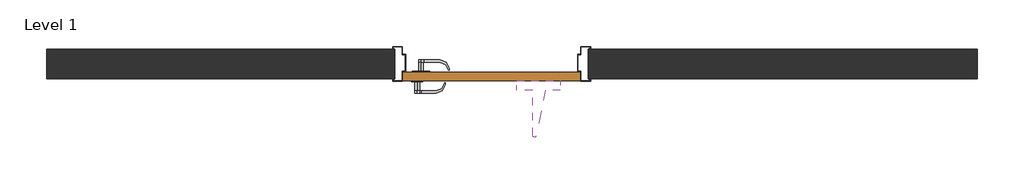
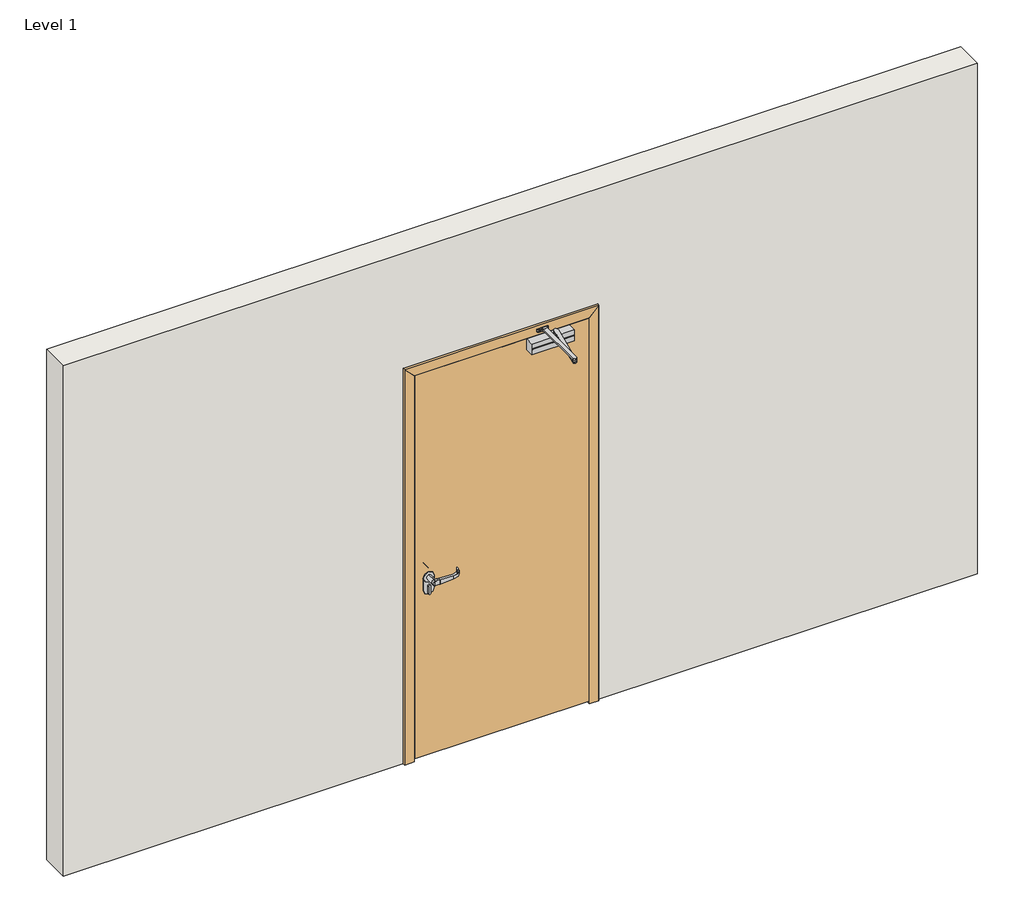
# One storey: 3 proxies, 1 door, 1 wall.
"""IFC4 building model written with IfcOpenShell, lengths in millimetres."""

import ifcopenshell
import ifcopenshell.guid

model = None  # the IFC model being written
_history = None  # IfcOwnerHistory: only IFC2X3 demands one
_inside = {}  # id of a spatial element -> (the spatial element, [elements in it])
_under = {}  # id of a project, library or spatial element -> (it, [spatial elements below it])
_declared = {}  # id of a project -> (the project, [libraries it declares])
_typed = {}  # id of a type object -> (the type object, [elements of that type])
_made_of = {}  # id of a material, layer set ... -> (it, [elements and type objects made of it])


def new_model(schema):
    """Start an empty IFC model of exactly this schema.

    Asked for "IFC4X3", IfcOpenShell would pick the latest addendum, in which some entities
    have other attributes; the version numbers below select the first issue.
    IFC2X3 requires an IfcOwnerHistory on every rooted entity: one is made here for all.
    """
    global model, _history
    if schema == "IFC4X3":
        model = ifcopenshell.file(schema_version=(4, 3, 0, 0))
    else:
        model = ifcopenshell.file(schema=schema)
    _inside.clear()
    _under.clear()
    _declared.clear()
    _typed.clear()
    _made_of.clear()
    _history = None
    if model.schema == "IFC2X3":
        org = make("IfcOrganization", Name="unknown")
        user = make(
            "IfcPersonAndOrganization",
            ThePerson=make("IfcPerson", FamilyName="unknown"),
            TheOrganization=org,
        )
        app = make(
            "IfcApplication",
            ApplicationDeveloper=org,
            Version="unknown",
            ApplicationFullName="unknown",
            ApplicationIdentifier="unknown",
        )
        _history = make(
            "IfcOwnerHistory",
            OwningUser=user,
            OwningApplication=app,
            ChangeAction="ADDED",
            CreationDate=0,
        )
    return model


def make(cls, **values):
    """One entity of the class cls with the attributes given. An attribute that is None is left unset."""
    return model.create_entity(
        cls, **{name: value for name, value in values.items() if value is not None}
    )


def rooted(cls, **values):
    """An entity with a GlobalId (a new one), such as an element, a storey or a relation."""
    return make(cls, GlobalId=ifcopenshell.guid.new(), OwnerHistory=_history, **values)


def si_unit(unit_type, name, prefix=None):
    """IfcSIUnit, for example si_unit("LENGTHUNIT", "METRE", prefix="MILLI")."""
    return make("IfcSIUnit", UnitType=unit_type, Prefix=prefix, Name=name)


def assignment(units):
    """IfcUnitAssignment: the units of a project."""
    return None if units is None else make("IfcUnitAssignment", Units=units)


def point(xyz):
    """IfcCartesianPoint."""
    return None if xyz is None else make("IfcCartesianPoint", Coordinates=xyz)


def direction(xyz):
    """IfcDirection."""
    return None if xyz is None else make("IfcDirection", DirectionRatios=xyz)


def frame(location, z_axis=None, x_axis=None):
    """IfcAxis2Placement3D, a coordinate frame: its origin and axes. An axis left out is left unset."""
    return make(
        "IfcAxis2Placement3D",
        Location=point(location),
        Axis=direction(z_axis),
        RefDirection=direction(x_axis),
    )


def frame_2d(location, x_axis=None):
    """IfcAxis2Placement2D, a coordinate frame in the plane: its origin and x axis."""
    return make(
        "IfcAxis2Placement2D", Location=point(location), RefDirection=direction(x_axis)
    )


def origin():
    """The frame at (0, 0, 0) with its axes left unset."""
    return frame((0.0, 0.0, 0.0))


def origin_with_axes():
    """The frame at (0, 0, 0) with the z axis (0, 0, 1) and the x axis (1, 0, 0) written out."""
    return frame((0.0, 0.0, 0.0), z_axis=(0.0, 0.0, 1.0), x_axis=(1.0, 0.0, 0.0))


def place(relative_to, where):
    """IfcLocalPlacement: puts the frame where relative to a parent placement (None: the world)."""
    return make(
        "IfcLocalPlacement", PlacementRelTo=relative_to, RelativePlacement=where
    )


def context(
    kind, dimensions, precision=None, world=None, true_north=None, identifier=None
):
    """IfcGeometricRepresentationContext, for example the 3D "Model" context."""
    return make(
        "IfcGeometricRepresentationContext",
        ContextIdentifier=identifier,
        ContextType=kind,
        CoordinateSpaceDimension=dimensions,
        Precision=precision,
        WorldCoordinateSystem=world,
        TrueNorth=true_north,
    )


def project(units=None, contexts=None):
    """IfcProject with its units and contexts."""
    return rooted(
        "IfcProject",
        Name="project",
        RepresentationContexts=contexts,
        UnitsInContext=assignment(units),
    )


def spatial(cls, under=None, at=None, **own):
    """A site, building, storey or space (cls), placed at a placement, below another one or the project."""
    s = rooted(cls, ObjectPlacement=at, **own)
    if under is not None:
        _under.setdefault(under.id(), (under, []))[1].append(s)
    return s


def polyline(points):
    """IfcPolyline through the points."""
    return make("IfcPolyline", Points=[point(p) for p in points])


def circle_curve(where, radius):
    """IfcCircle in the frame where."""
    return make("IfcCircle", Position=where, Radius=radius)


def ellipse_curve(where, semi_axis1, semi_axis2):
    """IfcEllipse in the frame where."""
    return make(
        "IfcEllipse", Position=where, SemiAxis1=semi_axis1, SemiAxis2=semi_axis2
    )


def trimmed(basis, trim1, trim2, sense, master):
    """IfcTrimmedCurve: the piece of a basis curve between two trims."""
    return make(
        "IfcTrimmedCurve",
        BasisCurve=basis,
        Trim1=trim1,
        Trim2=trim2,
        SenseAgreement=sense,
        MasterRepresentation=master,
    )


def segment(curve, same_sense, transition):
    """IfcCompositeCurveSegment."""
    return make(
        "IfcCompositeCurveSegment",
        Transition=transition,
        SameSense=same_sense,
        ParentCurve=curve,
    )


def composite_curve(segments, self_intersect=None):
    """IfcCompositeCurve: segments joined end to end."""
    return make("IfcCompositeCurve", Segments=segments, SelfIntersect=self_intersect)


def outline(outer, holes=None, kind="AREA"):
    """IfcArbitraryClosedProfileDef: a profile drawn as a closed curve; with holes, ...WithVoids."""
    if holes is None:
        return make("IfcArbitraryClosedProfileDef", ProfileType=kind, OuterCurve=outer)
    return make(
        "IfcArbitraryProfileDefWithVoids",
        ProfileType=kind,
        OuterCurve=outer,
        InnerCurves=holes,
    )


def extrude(swept, where, along, depth):
    """IfcExtrudedAreaSolid: the profile swept, set in the frame where, extruded along a direction by depth."""
    return make(
        "IfcExtrudedAreaSolid",
        SweptArea=swept,
        Position=where,
        ExtrudedDirection=direction(along),
        Depth=depth,
    )


def faces_of(points, faces, orient=None, outer=None):
    """IfcFace entities. A face is a list of loops; a loop is a list of indices into points, from 0.

    orient and outer hold one flag for each loop. By default every Orientation is true, the
    first loop of a face is its IfcFaceOuterBound and the others are IfcFaceBound.
    """
    made = []
    for i, loops in enumerate(faces):
        bounds = []
        for j, loop in enumerate(loops):
            is_outer = j == 0 if outer is None else outer[i][j]
            bounds.append(
                make(
                    "IfcFaceOuterBound" if is_outer else "IfcFaceBound",
                    Bound=make("IfcPolyLoop", Polygon=[points[k] for k in loop]),
                    Orientation=True if orient is None else orient[i][j],
                )
            )
        made.append(make("IfcFace", Bounds=bounds))
    return made


def faceted_brep(points, faces, orient=None, outer=None, voids=None):
    """IfcFacetedBrep: a solid bounded by flat faces; with voids (closed shells), ...WithVoids."""
    shared = [point(p) for p in points]
    hull = make("IfcClosedShell", CfsFaces=faces_of(shared, faces, orient, outer))
    if voids is None:
        return make("IfcFacetedBrep", Outer=hull)
    return make(
        "IfcFacetedBrepWithVoids",
        Outer=hull,
        Voids=[
            make(cls, CfsFaces=faces_of(shared, fs, o, b)) for cls, fs, o, b in voids
        ],
    )


def shape(context_of_items, identifier, shape_type, items):
    """IfcShapeRepresentation: the items that make up one representation, for example the "Body"."""
    return make(
        "IfcShapeRepresentation",
        ContextOfItems=context_of_items,
        RepresentationIdentifier=identifier,
        RepresentationType=shape_type,
        Items=items,
    )


def source(mapping_origin, context_of_items, identifier, shape_type, items):
    """IfcRepresentationMap: a shape defined once, which mapped items show again and again."""
    return make(
        "IfcRepresentationMap",
        MappingOrigin=mapping_origin,
        MappedRepresentation=shape(context_of_items, identifier, shape_type, items),
    )


def transform(
    local_origin,
    x_axis=None,
    y_axis=None,
    z_axis=None,
    scale=None,
    scale2=None,
    scale3=None,
    uniform=True,
):
    """IfcCartesianTransformationOperator3D, or its non-uniform kind. x_axis, y_axis, z_axis: its Axis1, 2, 3."""
    if uniform:
        return make(
            "IfcCartesianTransformationOperator3D",
            Axis1=direction(x_axis),
            Axis2=direction(y_axis),
            LocalOrigin=point(local_origin),
            Scale=scale,
            Axis3=direction(z_axis),
        )
    return make(
        "IfcCartesianTransformationOperator3DnonUniform",
        Axis1=direction(x_axis),
        Axis2=direction(y_axis),
        LocalOrigin=point(local_origin),
        Scale=scale,
        Axis3=direction(z_axis),
        Scale2=scale2,
        Scale3=scale3,
    )


def mapped(mapping_source, mapping_target):
    """IfcMappedItem: shows the shape of a source again, moved by a transform."""
    return make(
        "IfcMappedItem", MappingSource=mapping_source, MappingTarget=mapping_target
    )


def made_of(thing, what):
    """Note that an element or type object is made of a material, layer set ...; save() writes the relation."""
    if what is not None:
        _made_of.setdefault(what.id(), (what, []))[1].append(thing)
    return thing


def element(
    cls,
    number,
    at=None,
    inside=None,
    cuts=None,
    type_object=None,
    material=None,
    context=None,
    identifier="Body",
    shape_type=None,
    held_by="IfcProductDefinitionShape",
    body=None,
    shapes=None,
    **own,
):
    """One element of the class cls, such as IfcWall. Its Tag is "e" and its number.

    at: its placement. inside: the storey or other place that contains it. cuts: it is an
    opening in that element (IfcRelVoidsElement). A single representation is given by context,
    identifier, shape_type and body (its items); several are given by shapes. held_by: the class
    of the entity that holds the representations. save() writes the other relations.
    """
    e = rooted(cls, Tag="e%d" % number, ObjectPlacement=at, **own)
    if body is not None:
        shapes = [shape(context, identifier, shape_type, body)]
    if shapes is not None:
        e.Representation = make(held_by, Representations=shapes)
    if inside is not None:
        _inside.setdefault(inside.id(), (inside, []))[1].append(e)
    if cuts is not None:
        rooted(
            "IfcRelVoidsElement", RelatingBuildingElement=cuts, RelatedOpeningElement=e
        )
    if type_object is not None:
        _typed.setdefault(type_object.id(), (type_object, []))[1].append(e)
    return made_of(e, material)


def aggregate(whole, parts):
    """IfcRelAggregates: a whole, such as a stair, and the parts it consists of."""
    return rooted("IfcRelAggregates", RelatingObject=whole, RelatedObjects=parts)


def save(model, path):
    """Write the relations noted so far, then the file.

    IfcRelAggregates (storeys below a building ...), IfcRelContainedInSpatialStructure (elements
    in a storey), IfcRelDefinesByType, IfcRelAssociatesMaterial and IfcRelDeclares: one each for
    every whole, place, type object, material and project.
    """
    for whole, parts in _under.values():
        aggregate(whole, parts)
    for where, things in _inside.values():
        rooted(
            "IfcRelContainedInSpatialStructure",
            RelatedElements=things,
            RelatingStructure=where,
        )
    for kind, things in _typed.values():
        rooted("IfcRelDefinesByType", RelatedObjects=things, RelatingType=kind)
    for what, things in _made_of.values():
        rooted("IfcRelAssociatesMaterial", RelatedObjects=things, RelatingMaterial=what)
    for by, libraries in _declared.values():
        rooted("IfcRelDeclares", RelatingContext=by, RelatedDefinitions=libraries)
    model.write(path)


def plane_surface(at):
    """IfcPlane: the flat surface through the origin of the frame at, square to its z axis."""
    return make("IfcPlane", Position=at)


def cylinder_surface(at, radius):
    """IfcCylindricalSurface: all points at the distance radius from the z axis of the frame at."""
    return make("IfcCylindricalSurface", Position=at, Radius=radius)


def revolved_surface(curve, axis_point, axis_direction):
    """IfcSurfaceOfRevolution: the curve turned about the line through axis_point along axis_direction."""
    return make(
        "IfcSurfaceOfRevolution",
        SweptCurve=make("IfcArbitraryOpenProfileDef", ProfileType="CURVE", Curve=curve),
        AxisPosition=make("IfcAxis1Placement", Location=point(axis_point), Axis=direction(axis_direction)),
    )


def advanced_brep(points, edges, surfaces, faces):
    """IfcAdvancedBrep: a solid bounded by faces that lie on surfaces and meet in shared edges.

    An edge is (start, end): straight between two places in points (the first is 0);
    or (start, end, curve); or (start, end, curve, False) where it runs against its curve.
    A face is (place in surfaces, loops), or (place, loops, False) where it looks against
    its surface's normal. A loop lists edges by number (the first is 1), with a minus sign
    where the edge is run from its end to its start. The first loop is the outer one.
    """
    corners = [point(p) for p in points]
    vertices = [make("IfcVertexPoint", VertexGeometry=c) for c in corners]
    made = []
    for start, end, *more in edges:
        made.append(
            make(
                "IfcEdgeCurve",
                EdgeStart=vertices[start],
                EdgeEnd=vertices[end],
                EdgeGeometry=more[0] if more else make("IfcPolyline", Points=[corners[start], corners[end]]),
                SameSense=more[1] if len(more) > 1 else True,
            )
        )
    hull = []
    for where, loops, *sense in faces:
        bounds = []
        for j, loop in enumerate(loops):
            ring = [make("IfcOrientedEdge", EdgeElement=made[abs(k) - 1], Orientation=k > 0) for k in loop]
            bounds.append(
                make(
                    "IfcFaceOuterBound" if j == 0 else "IfcFaceBound",
                    Bound=make("IfcEdgeLoop", EdgeList=ring),
                    Orientation=True,
                )
            )
        hull.append(make("IfcAdvancedFace", Bounds=bounds, FaceSurface=surfaces[where], SameSense=sense[0] if sense else True))
    return make("IfcAdvancedBrep", Outer=make("IfcClosedShell", CfsFaces=hull))


def security_devices_95c8cb61(model_context):
    return source(origin(), model_context, "Body", "AdvancedBrep", [
        advanced_brep(
        [(-208.9912, -6.35, 3.175), (-208.9912, 6.35, 3.175), (-208.9912, -45.0088, 0.0), (-208.9912, 45.0088, 0.0)],
        [
            (0, 1, circle_curve(frame((-208.9912, 0.0, 3.175), z_axis=(0.0, 0.0, 1.0), x_axis=(0.0, -1.0, 0.0)), 6.35)),
            (1, 0, circle_curve(frame((-208.9912, 0.0, 3.175), z_axis=(0.0, 0.0, 1.0), x_axis=(0.0, 1.0, 0.0)), 6.35)),
            (2, 3, circle_curve(frame((-208.9912, 0.0, 0.0), z_axis=(0.0, 0.0, -1.0), x_axis=(0.0, 1.0, 0.0)), 45.0088)),
            (3, 2, circle_curve(frame((-208.9912, 0.0, 0.0), z_axis=(0.0, 0.0, -1.0), x_axis=(0.0, -1.0, 0.0)), 45.0088)),
            (3, 1),
            (0, 2),
        ],
        [
            plane_surface(frame((-208.9912, 0.0, 3.175), z_axis=(0.0, 0.0, 1.0), x_axis=(1.0, 0.0, 0.0))),
            plane_surface(frame((-208.9912, 0.0, 0.0), z_axis=(0.0, 0.0, -1.0), x_axis=(1.0, 0.0, 0.0))),
            revolved_surface(polyline([(-208.9912, -6.3499995835972864, 3.175), (-208.9912, -45.0088, 0.0)]), (-208.9912, 0.0, 3.6965177), (0.0, 0.0, -1.0)),
            revolved_surface(polyline([(-208.9912, 6.3499995835972864, 3.175), (-208.9912, 45.0088, 0.0)]), (-208.9912, 0.0, 3.6965177), (0.0, 0.0, -1.0)),
        ],
        [
            (0, [[1, 2]]),
            (1, [[3, 4]]),
            (2, [[-4, 5, -1, 6]]),
            (3, [[-3, -6, -2, -5]]),
        ],
    ),
        advanced_brep(
        [(-0.0080171, -44.4552377, 4.7622), (-0.0080171, 44.4447623, 4.7622), (12.6999978, -0.006278, 4.7622), (-12.7000022, -0.006278, 4.7622), (-0.0080171, -44.4552377, -0.0003), (-0.0080171, 44.4447623, -0.0003), (-12.7000022, 0.006278, 50.7997), (-12.7000022, -12.693722, 50.7997), (-12.7000022, -12.693722, 63.4997), (-12.7000022, 0.006278, 63.4997), (12.6999978, -12.693722, 50.7997), (12.6999978, 0.006278, 50.7997), (12.6999978, -0.006278, 63.4997), (12.6999978, -12.693722, 63.4997), (8.6682503, -96.831222, 50.7997), (-8.6682548, -96.831222, 50.7997), (-8.6682548, -96.831222, 63.4997), (8.6682503, -96.831222, 63.4997), (-6.3500022, -145.210237, 19.1808168), (-6.3500022, -145.210237, 10.688597), (6.3499978, -145.210237, 10.688597), (6.3499978, -145.210237, 19.1808168), (-6.5035986, -142.0048745, 10.688597), (6.5035941, -142.0048745, 10.688597)],
        [
            (0, 1, circle_curve(frame((-0.0080171, -0.0052377, 4.7622), z_axis=(0.0, 0.0, 1.0), x_axis=(0.0, 1.0, 0.0)), 44.45)),
            (1, 0, circle_curve(frame((-0.0080171, -0.0052377, 4.7622), z_axis=(0.0, 0.0, 1.0), x_axis=(0.0, 1.0, 0.0)), 44.45)),
            (2, 3, circle_curve(frame((-2.2e-06, -0.006278, 4.7622), z_axis=(0.0, 0.0, -1.0), x_axis=(0.0, 1.0, 0.0)), 12.7)),
            (3, 2, circle_curve(frame((-2.2e-06, -0.006278, 4.7622), z_axis=(0.0, 0.0, -1.0), x_axis=(0.0, 1.0, 0.0)), 12.7)),
            (4, 5, circle_curve(frame((-0.0080171, -0.0052377, -0.0003), z_axis=(0.0, 0.0, -1.0), x_axis=(0.0, 1.0, 0.0)), 44.45)),
            (5, 4, circle_curve(frame((-0.0080171, -0.0052377, -0.0003), z_axis=(0.0, 0.0, -1.0), x_axis=(0.0, 1.0, 0.0)), 44.45)),
            (0, 4),
            (5, 1),
            (6, 7),
            (7, 8),
            (8, 9),
            (9, 6),
            (10, 11),
            (11, 12),
            (12, 13),
            (13, 10),
            (6, 11, circle_curve(frame((-2.2e-06, -0.006278, 50.7997), z_axis=(0.0, 0.0, 1.0), x_axis=(0.0, 1.0, 0.0)), 12.7)),
            (10, 14),
            (14, 15),
            (15, 7),
            (16, 17),
            (17, 13),
            (12, 9, circle_curve(frame((-2.2e-06, -0.006278, 63.4997), z_axis=(0.0, 0.0, 1.0), x_axis=(0.0, 1.0, 0.0)), 12.7)),
            (8, 16),
            (16, 18, ellipse_curve(frame((-8.6682548, -96.831222, 14.9347069), z_axis=(0.9988538794169152, 0.04786363519185341, 0.0), x_axis=(-0.047863635191850065, 0.9988538794169153, 0.0)), 48.6207182, 48.564993)),
            (18, 19, circle_curve(frame((-6.3500022, -96.831222, 14.9347069), z_axis=(1.0, 0.0, 0.0), x_axis=(0.0, -1.0, 0.0)), 48.564993)),
            (19, 20),
            (20, 21, circle_curve(frame((6.3499978, -96.831222, 14.9347069), z_axis=(-1.0, 0.0, 0.0), x_axis=(0.0, -1.0, 0.0)), 48.564993)),
            (21, 17, ellipse_curve(frame((8.6682503, -96.831222, 14.9347069), z_axis=(-0.9988538794169146, 0.04786363519186305, 0.0), x_axis=(-0.04786363519186451, -0.9988538794169146, 0.0)), 48.6207182, 48.564993)),
            (19, 22),
            (22, 23),
            (23, 20),
            (22, 15, ellipse_curve(frame((-8.6682548, -96.831222, 5.3065672), z_axis=(-0.9988538794169152, -0.04786363519185341, 0.0), x_axis=(0.047863635191850065, -0.9988538794169153, 0.0)), 45.5453332, 45.4931328)),
            (14, 23, ellipse_curve(frame((8.6682503, -96.831222, 5.3065672), z_axis=(0.9988538794169146, -0.04786363519186305, 0.0), x_axis=(0.04786363519186451, 0.9988538794169146, 0.0)), 45.5453332, 45.4931328)),
            (21, 20),
            (18, 19),
            (6, 3),
            (2, 11),
            (6, 11, circle_curve(frame((-2.2e-06, -0.006278, 50.7997), z_axis=(0.0, 0.0, -1.0), x_axis=(0.0, 1.0, 0.0)), 12.7)),
        ],
        [
            plane_surface(frame((-0.0080171, 44.4447623, 4.7622), z_axis=(0.0, 0.0, 1.0), x_axis=(-1.0, 0.0, 0.0))),
            plane_surface(frame((-0.0080171, 44.4447623, -0.0003), z_axis=(0.0, 0.0, -1.0), x_axis=(1.0, 0.0, 0.0))),
            cylinder_surface(frame((-0.0080171, -0.0052377, -0.0003), z_axis=(0.0, 0.0, 1.0), x_axis=(0.0, 1.0, 0.0)), 44.45),
            plane_surface(frame((-12.7000022, -142.3243547, 5.3065672), z_axis=(-1.0, 0.0, 0.0), x_axis=(0.0, 0.0, -1.0))),
            plane_surface(frame((12.6999978, -142.3243547, 5.3065672), z_axis=(1.0, 0.0, 0.0), x_axis=(0.0, 0.0, 1.0))),
            plane_surface(frame((-12.7000022, -25.0324224, 50.7997), z_axis=(0.0, 0.0, -1.0), x_axis=(1.0, 0.0, 0.0))),
            plane_surface(frame((-12.7000022, -96.831222, 63.4997), z_axis=(0.0, 0.0, 1.0), x_axis=(1.0, 0.0, 0.0))),
            cylinder_surface(frame((12.6999978, -96.831222, 14.9347069), z_axis=(-1.0, 0.0, 0.0), x_axis=(0.0, -1.0, 0.0)), 48.564993),
            plane_surface(frame((-12.7000022, -142.0048745, 10.688597), z_axis=(0.0, 0.0, -1.0), x_axis=(1.0, 0.0, 0.0))),
            revolved_surface(polyline([(10.848215512976715, -142.32435479999998, 5.3065672), (-10.848220012976055, -142.32435479999998, 5.3065672)]), (12.6999978, -96.831222, 5.3065672), (1.0, 0.0, 0.0)),
            plane_surface(frame((13.3082626, 0.0, 66.7497141), z_axis=(0.9988538794169146, -0.04786363519186305, 0.0), x_axis=(0.0, 0.0, -1.0))),
            plane_surface(frame((6.3499978, -145.210237, 66.7497141), z_axis=(1.0, 0.0, 0.0), x_axis=(0.0, 0.0, -1.0))),
            plane_surface(frame((-6.3500022, -148.3951356, 66.7497141), z_axis=(-1.0, 0.0, 0.0), x_axis=(0.0, 0.0, -1.0))),
            plane_surface(frame((-6.3500022, -145.210237, 66.7497141), z_axis=(-0.9988538794169152, -0.04786363519185341, 0.0), x_axis=(0.0, 0.0, -1.0))),
            cylinder_surface(frame((-2.2e-06, -0.006278, 4.7622), z_axis=(0.0, 0.0, 1.0), x_axis=(0.0, 1.0, 0.0)), 12.7),
            cylinder_surface(frame((-2.2e-06, -0.006278, 50.7997), z_axis=(0.0, 0.0, -1.0), x_axis=(0.0, 1.0, 0.0)), 12.7),
        ],
        [
            (0, [[1, 2], [3, 4]]),
            (1, [[5, 6]]),
            (2, [[-1, 7, -6, 8]]),
            (2, [[-2, -8, -5, -7]]),
            (3, [[9, 10, 11, 12]]),
            (4, [[13, 14, 15, 16]]),
            (5, [[17, -13, 18, 19, 20, -9]]),
            (6, [[21, 22, -15, 23, -11, 24]]),
            (7, [[-21, 25, 26, 27, 28, 29]]),
            (8, [[-27, 30, 31, 32]]),
            (9, [[-31, 33, -19, 34]]),
            (10, [[35, -32, -34, -18, -16, -22, -29]]),
            (11, [[-35, -28]]),
            (12, [[36, -26]]),
            (13, [[-36, -25, -24, -10, -20, -33, -30]]),
            (14, [[-17, 37, -3, 38]]),
            (14, [[-37, 39, -38, -4]]),
            (15, [[-12, -23, -14, -39]]),
        ],
    ),
    ])


def security_devices_d899d979(model_context):
    return source(origin(), model_context, "Body", "SolidModel", [
        advanced_brep(
        [(-7.482608, -97.1492182, 50.7997), (-10.9231028, -25.3504186, 50.7997), (13.2943918, -25.3504186, 50.7997), (9.853897, -97.1492182, 50.7997), (-10.9231028, -25.3504186, 63.4997), (13.2943918, -25.3504186, 63.4997), (-7.482608, -97.1492182, 63.4997), (9.853897, -97.1492182, 63.4997), (-5.1643555, -145.5282333, 19.1808168), (-5.1643555, -145.5282333, 10.688597), (7.5356445, -145.5282333, 10.688597), (7.5356445, -145.5282333, 19.1808168), (-5.3179518, -142.3228707, 10.688597), (7.6892409, -142.3228707, 10.688597)],
        [
            (0, 1),
            (1, 2),
            (2, 3),
            (3, 0),
            (1, 4),
            (4, 5),
            (5, 2),
            (4, 6),
            (6, 7),
            (7, 5),
            (6, 8, ellipse_curve(frame((-7.482608, -97.1492182, 14.9347069), z_axis=(0.9988538794169152, 0.0478636351918534, 0.0), x_axis=(-0.04786363519185008, 0.9988538794169153, 0.0)), 48.6207182, 48.564993)),
            (8, 9, circle_curve(frame((-5.1643555, -97.1492182, 14.9347069), z_axis=(1.0, 0.0, 0.0), x_axis=(0.0, -1.0, 0.0)), 48.564993)),
            (9, 10),
            (10, 11, circle_curve(frame((7.5356445, -97.1492182, 14.9347069), z_axis=(-1.0, 0.0, 0.0), x_axis=(0.0, -1.0, 0.0)), 48.564993)),
            (11, 7, ellipse_curve(frame((9.853897, -97.1492182, 14.9347069), z_axis=(-0.9988538794169146, 0.04786363519186304, 0.0), x_axis=(-0.04786363519186451, -0.9988538794169145, 0.0)), 48.6207182, 48.564993)),
            (9, 12),
            (12, 13),
            (13, 10),
            (3, 13, ellipse_curve(frame((9.853897, -97.1492182, 5.3065672), z_axis=(0.9988538794169146, -0.04786363519186304, 0.0), x_axis=(0.04786363519186451, 0.9988538794169145, 0.0)), 45.5453332, 45.4931328)),
            (12, 0, ellipse_curve(frame((-7.482608, -97.1492182, 5.3065672), z_axis=(-0.9988538794169152, -0.0478636351918534, 0.0), x_axis=(0.04786363519185008, -0.9988538794169153, 0.0)), 45.5453332, 45.4931328)),
            (11, 10),
            (8, 9),
        ],
        [
            plane_surface(frame((-11.5143555, -97.1492182, 50.7997), z_axis=(0.0, 0.0, -1.0), x_axis=(1.0, 0.0, 0.0))),
            plane_surface(frame((-11.5143555, -25.3504186, 50.7997), z_axis=(0.0, 1.0, 0.0), x_axis=(1.0, 0.0, 0.0))),
            plane_surface(frame((-11.5143555, -25.3504186, 63.4997), z_axis=(0.0, 0.0, 1.0), x_axis=(1.0, 0.0, 0.0))),
            cylinder_surface(frame((13.8856445, -97.1492182, 14.9347069), z_axis=(-1.0, 0.0, 0.0), x_axis=(0.0, -1.0, 0.0)), 48.564993),
            plane_surface(frame((-11.5143555, -145.5282333, 10.688597), z_axis=(0.0, 0.0, -1.0), x_axis=(1.0, 0.0, 0.0))),
            revolved_surface(polyline([(12.033862212976715, -142.64235100000002, 5.3065672), (-9.662573212976058, -142.64235100000002, 5.3065672)]), (13.8856445, -97.1492182, 5.3065672), (1.0, 0.0, 0.0)),
            plane_surface(frame((7.5356445, -145.5282333, 66.7497141), z_axis=(0.9988538794169146, -0.04786363519186304, 0.0), x_axis=(0.0, 0.0, -1.0))),
            plane_surface(frame((7.5356445, -148.7131319, 66.7497141), z_axis=(1.0, 0.0, 0.0), x_axis=(0.0, 0.0, -1.0))),
            plane_surface(frame((-5.1643555, -145.5282333, 66.7497141), z_axis=(-1.0, 0.0, 0.0), x_axis=(0.0, 0.0, -1.0))),
            plane_surface(frame((-12.1226203, -0.3179962, 66.7497141), z_axis=(-0.9988538794169152, -0.0478636351918534, 0.0), x_axis=(0.0, 0.0, -1.0))),
        ],
        [
            (0, [[1, 2, 3, 4]]),
            (1, [[5, 6, 7, -2]]),
            (2, [[8, 9, 10, -6]]),
            (3, [[11, 12, 13, 14, 15, -9]]),
            (4, [[16, 17, 18, -13]]),
            (5, [[19, -17, 20, -4]]),
            (6, [[-18, -19, -3, -7, -10, -15, 21]]),
            (7, [[-14, -21]]),
            (8, [[-12, 22]]),
            (9, [[-11, -8, -5, -1, -20, -16, -22]]),
        ],
    ),
        extrude(outline(polyline([(13.8856445, -0.3117182), (13.8856445, -13.0117182), (13.2943918, -25.3504186), (-10.9231028, -25.3504186), (-11.5143555, -13.0117182), (-11.5143555, -0.3117182), (13.8856445, -0.3117182)])), frame((0.0, 0.0, 50.7997), z_axis=(0.0, 0.0, 1.0), x_axis=(1.0, 0.0, 0.0)), (0.0, 0.0, 1.0), 12.7),
        extrude(outline(composite_curve([segment(polyline([(13.8856445, -0.3117182), (-11.5143555, -0.3117182)]), True, "CONTINUOUS"), segment(trimmed(circle_curve(frame_2d((1.1856445, -0.3117182)), 12.7), [point((-11.5143555, -0.3117182))], [point((13.8856445, -0.3117182))], False, "CARTESIAN"), True, "CONTINUOUS")], self_intersect=False)), frame((0.0, 0.0, 50.7997), z_axis=(0.0, 0.0, 1.0), x_axis=(1.0, 0.0, 0.0)), (0.0, 0.0, 1.0), 12.7),
        extrude(outline(composite_curve([segment(trimmed(circle_curve(frame_2d((1.1856445, -0.3117182)), 12.7), [point((13.8856445, -0.3117182))], [point((-11.5143555, -0.3117182))], False, "CARTESIAN"), True, "CONTINUOUS"), segment(polyline([(-11.5143555, -0.3117182), (13.8856445, -0.3117182)]), True, "CONTINUOUS")], self_intersect=False)), frame((0.0, 0.0, 4.7622), z_axis=(0.0, 0.0, 1.0), x_axis=(1.0, 0.0, 0.0)), (0.0, 0.0, 1.0), 46.0375),
        extrude(outline(composite_curve([segment(polyline([(13.8856445, -0.3117182), (-11.5143555, -0.3117182)]), True, "CONTINUOUS"), segment(trimmed(circle_curve(frame_2d((1.1856445, -0.3117182)), 12.7), [point((-11.5143555, -0.3117182))], [point((13.8856445, -0.3117182))], False, "CARTESIAN"), True, "CONTINUOUS")], self_intersect=False)), frame((0.0, 0.0, 4.7622), z_axis=(0.0, 0.0, 1.0), x_axis=(1.0, 0.0, 0.0)), (0.0, 0.0, 1.0), 46.0375),
        extrude(outline(composite_curve([segment(trimmed(circle_curve(frame_2d((1.1776296, -0.3232339)), 28.550643), [point((1.1776296, -28.8738769))], [point((1.1776296, 28.227409))], False, "CARTESIAN"), True, "CONTINUOUS"), segment(trimmed(circle_curve(frame_2d((1.1776296, -0.3232339)), 28.550643), [point((1.1776296, 28.227409))], [point((1.1776296, -28.8738769))], False, "CARTESIAN"), True, "CONTINUOUS")], self_intersect=False)), frame((0.0, 0.0, -0.0003), z_axis=(0.0, 0.0, 1.0), x_axis=(1.0, 0.0, 0.0)), (0.0, 0.0, 1.0), 4.7625),
        extrude(outline(composite_curve([segment(trimmed(circle_curve(frame_2d((1.1856445, -0.3242743)), 12.7), [point((13.8856445, -0.3242743))], [point((-11.5143555, -0.3242743))], False, "CARTESIAN"), True, "CONTINUOUS"), segment(polyline([(-11.5143555, -0.3242743), (13.8856445, -0.3242743)]), True, "CONTINUOUS")], self_intersect=False)), frame((0.0, 0.0, 50.7997), z_axis=(0.0, 0.0, 1.0), x_axis=(1.0, 0.0, 0.0)), (0.0, 0.0, 1.0), 12.7),
        extrude(outline(composite_curve([segment(polyline([(13.8856445, -0.3242743), (-11.5143555, -0.3242743)]), True, "CONTINUOUS"), segment(trimmed(circle_curve(frame_2d((1.1856445, -0.3242743)), 12.7), [point((-11.5143555, -0.3242743))], [point((13.8856445, -0.3242743))], False, "CARTESIAN"), True, "CONTINUOUS")], self_intersect=False)), frame((0.0, 0.0, 4.7622), z_axis=(0.0, 0.0, 1.0), x_axis=(1.0, 0.0, 0.0)), (0.0, 0.0, 1.0), 58.7375),
        extrude(outline(composite_curve([segment(trimmed(circle_curve(frame_2d((1.1856445, -0.3242743)), 12.7), [point((13.8856445, -0.3242743))], [point((-11.5143555, -0.3242743))], False, "CARTESIAN"), True, "CONTINUOUS"), segment(polyline([(-11.5143555, -0.3242743), (13.8856445, -0.3242743)]), True, "CONTINUOUS")], self_intersect=False)), frame((0.0, 0.0, 4.7622), z_axis=(0.0, 0.0, 1.0), x_axis=(1.0, 0.0, 0.0)), (0.0, 0.0, 1.0), 46.0375),
        extrude(outline(composite_curve([segment(polyline([(-46.2735448, -6.35), (-84.3735448, -6.35)]), True, "CONTINUOUS"), segment(trimmed(circle_curve(frame_2d((-84.3735448, 0.0)), 6.35), [point((-84.3735448, -6.35))], [point((-84.3735448, 6.35))], False, "CARTESIAN"), True, "CONTINUOUS"), segment(polyline([(-84.3735448, 6.35), (-46.2735448, 6.35)]), True, "CONTINUOUS"), segment(trimmed(circle_curve(frame_2d((-46.2735448, 0.0)), 6.35), [point((-46.2735448, 6.35))], [point((-46.2735448, -6.35))], False, "CARTESIAN"), True, "CONTINUOUS")], self_intersect=False)), frame((0.0, 0.0, 2.5000211), z_axis=(0.0, 0.0, 1.0), x_axis=(1.0, 0.0, 0.0)), (0.0, 0.0, 1.0), 10.1999789),
        extrude(outline(composite_curve([segment(polyline([(-64.146875, 29.4401226), (-0.146875, 29.4401226)]), True, "CONTINUOUS"), segment(trimmed(circle_curve(frame_2d((-0.146875, -0.0598774)), 29.5), [point((-0.146875, 29.4401226))], [point((-0.146875, -29.5598774))], False, "CARTESIAN"), True, "CONTINUOUS"), segment(polyline([(-0.146875, -29.5598774), (-64.146875, -29.5598774)]), True, "CONTINUOUS"), segment(trimmed(circle_curve(frame_2d((-64.146875, -0.0598774)), 29.5), [point((-64.146875, -29.5598774))], [point((-64.146875, 29.4401226))], False, "CARTESIAN"), True, "CONTINUOUS")], self_intersect=False)), origin_with_axes(), (0.0, 0.0, 1.0), 2.5000211),
    ])


def pull_ddca34ec(model_context):
    return source(origin(), model_context, "Body", "SolidModel", [
        extrude(outline(composite_curve([segment(trimmed(circle_curve(frame_2d((279.5, -132.8828125)), 10.0), [point((279.5, -122.8828125))], [point((279.5, -142.8828125))], False, "CARTESIAN"), True, "CONTINUOUS"), segment(polyline([(279.5, -142.8828125), (4.5, -142.8828125), (4.5, -122.8828125), (279.5, -122.8828125)]), True, "CONTINUOUS")], self_intersect=False)), frame((0.0, 86.1, 0.0), z_axis=(0.0, 1.0, 0.0), x_axis=(0.0, 0.0, 1.0)), (0.0, 0.0, 1.0), 8.0),
        extrude(outline(composite_curve([segment(trimmed(circle_curve(frame_2d((279.5, -132.8828125)), 10.0), [point((281.4169051, -123.0682583))], [point((277.5830949, -142.6973667))], False, "CARTESIAN"), True, "CONTINUOUS"), segment(polyline([(277.5830949, -142.6973667), (21.5830949, -92.6973667)]), True, "CONTINUOUS"), segment(trimmed(circle_curve(frame_2d((23.5, -82.8828125)), 10.0), [point((21.5830949, -92.6973667))], [point((25.4169051, -73.0682583))], False, "CARTESIAN"), True, "CONTINUOUS"), segment(polyline([(25.4169051, -73.0682583), (281.4169051, -123.0682583)]), True, "CONTINUOUS")], self_intersect=False)), frame((0.0, 70.0, 0.0), z_axis=(0.0, 1.0, 0.0), x_axis=(0.0, 0.0, 1.0)), (0.0, 0.0, 1.0), 6.0),
        extrude(outline(polyline([(-170.8828125, 97.6), (-112.8828125, 97.6), (-112.8828125, 82.6), (-170.8828125, 82.6), (-170.8828125, 97.6)])), frame((0.0, 0.0, 3.0), z_axis=(0.0, 0.0, 1.0), x_axis=(1.0, 0.0, 0.0)), (0.0, 0.0, 1.0), 1.5),
        extrude(outline(composite_curve([segment(polyline([(3.0, -170.8828125), (3.0, -112.8828125), (8.0, -112.8828125), (15.0431445, -125.0818966)]), True, "CONTINUOUS"), segment(trimmed(circle_curve(frame_2d((0.1083868, -133.704483)), 17.2451727), [point((15.0431445, -125.0818966))], [point((16.7659445, -138.1678621))], False, "CARTESIAN"), True, "CONTINUOUS"), segment(polyline([(16.7659445, -138.1678621), (8.0, -170.8828125), (3.0, -170.8828125)]), True, "CONTINUOUS")], self_intersect=False)), frame((0.0, 82.6, 0.0), z_axis=(0.0, 1.0, 0.0), x_axis=(0.0, 0.0, 1.0)), (0.0, 0.0, 1.0), 1.5),
        extrude(outline(composite_curve([segment(polyline([(3.0, -170.8828125), (3.0, -112.8828125), (8.0, -112.8828125), (15.0431445, -125.0818966)]), True, "CONTINUOUS"), segment(trimmed(circle_curve(frame_2d((0.1083868, -133.704483)), 17.2451727), [point((15.0431445, -125.0818966))], [point((16.7659445, -138.1678621))], False, "CARTESIAN"), True, "CONTINUOUS"), segment(polyline([(16.7659445, -138.1678621), (8.0, -170.8828125), (3.0, -170.8828125)]), True, "CONTINUOUS")], self_intersect=False)), frame((0.0, 96.1, 0.0), z_axis=(0.0, 1.0, 0.0), x_axis=(0.0, 0.0, 1.0)), (0.0, 0.0, 1.0), 1.5),
        extrude(outline(composite_curve([segment(trimmed(circle_curve(frame_2d((279.5, -132.8828125)), 10.0), [point((279.5, -142.8828125))], [point((279.5, -122.8828125))], False, "CARTESIAN"), True, "CONTINUOUS"), segment(trimmed(circle_curve(frame_2d((279.5, -132.8828125)), 10.0), [point((279.5, -122.8828125))], [point((279.5, -142.8828125))], False, "CARTESIAN"), True, "CONTINUOUS")], self_intersect=False)), frame((0.0, 76.0, 0.0), z_axis=(0.0, 1.0, 0.0), x_axis=(0.0, 0.0, 1.0)), (0.0, 0.0, 1.0), 10.1),
        advanced_brep(
        [(-92.8828125, 70.0, 23.5), (-72.8828125, 70.0, 23.5), (-72.8828125, 60.0, 23.5), (-92.8828125, 60.0, 23.5), (-82.8828125, 60.0, 23.5), (-82.8828125, 70.0, 23.5)],
        [
            (0, 1, circle_curve(frame((-82.8828125, 70.0, 23.5), z_axis=(0.0, -1.0, 0.0), x_axis=(1.0, 0.0, 0.0)), 10.0)),
            (1, 2),
            (2, 3, circle_curve(frame((-82.8828125, 60.0, 23.5), z_axis=(0.0, 1.0, 0.0), x_axis=(1.0, 0.0, 0.0)), 10.0)),
            (3, 0),
            (1, 0, circle_curve(frame((-82.8828125, 70.0, 23.5), z_axis=(0.0, -1.0, 0.0), x_axis=(1.0, 0.0, 0.0)), 10.0)),
            (3, 2, circle_curve(frame((-82.8828125, 60.0, 23.5), z_axis=(0.0, 1.0, 0.0), x_axis=(1.0, 0.0, 0.0)), 10.0)),
            (2, 4),
            (4, 3),
            (5, 1),
            (0, 5),
        ],
        [
            cylinder_surface(frame((-82.8828125, 118.0, 23.5), z_axis=(0.0, 1.0, 0.0), x_axis=(1.0, 0.0, 0.0)), 10.0),
            plane_surface(frame((-82.8828125, 60.0, 23.5), z_axis=(0.0, -1.0, 0.0), x_axis=(1.0, 0.0, 0.0))),
            plane_surface(frame((-82.8828125, 70.0, 23.5), z_axis=(0.0, 1.0, 0.0), x_axis=(1.0, 0.0, 0.0))),
        ],
        [
            (0, [[1, 2, 3, 4]]),
            (0, [[5, -4, 6, -2]]),
            (1, [[-3, 7, 8]]),
            (1, [[-6, -8, -7]]),
            (2, [[9, -1, 10]]),
            (2, [[-10, -5, -9]]),
        ],
    ),
        extrude(outline(polyline([(60.0, 0.0), (0.0, 0.0), (0.0, 47.0), (27.5, 47.0), (27.5, 46.0), (32.5, 46.0), (32.5, 47.0), (60.0, 47.0), (60.0, 0.0)])), frame((-222.8828125, 0.0, 0.0), z_axis=(1.0, 0.0, 0.0), x_axis=(0.0, 1.0, 0.0)), (0.0, 0.0, 1.0), 222.8828125),
    ])


def pull_ffc83646(model_context):
    return source(origin(), model_context, "Body", "SolidModel", [
        extrude(outline(polyline([(454.81875, -42.8625), (454.81875, -87.3125), (-454.81875, -87.3125), (-454.81875, -42.8625), (454.81875, -42.8625)])), frame((0.0, 0.0, 15.875), z_axis=(0.0, 0.0, 1.0), x_axis=(1.0, 0.0, 0.0)), (0.0, 0.0, 1.0), 2114.55),
        faceted_brep([(-506.4123984, -77.7875, 2182.8123984), (506.4125, -77.7875, 2182.8123984), (506.4125, -87.3125, 2182.8123984), (-506.4123984, -87.3125, 2182.8123984), (458.7875, -87.3125, 2135.1873984), (-458.7873984, -87.3125, 2135.1873984), (458.7875, -38.1, 2135.1873984), (-458.7873984, -38.1, 2135.1873984), (442.9125, -38.1, 2119.3123984), (-442.9123984, -38.1, 2119.3123984), (442.9125, 47.625, 2119.3123984), (-442.9123984, 47.625, 2119.3123984), (458.7875, 47.625, 2135.1873984), (-458.7873984, 47.625, 2135.1873984), (458.7875, 87.3125, 2135.1873984), (-458.7873984, 87.3125, 2135.1873984), (506.4125, 87.3125, 2182.8123984), (-506.4123984, 87.3125, 2182.8123984), (506.4125, 77.7875, 2182.8123984), (-506.4123984, 77.7875, 2182.8123984), (498.475, 77.7875, 2174.8748984), (-498.4748984, 77.7875, 2174.8748984), (498.475, 76.2, 2174.8748984), (-498.4748984, 76.2, 2174.8748984), (-507.9998984, 76.2, 2184.3998984), (508.0, 76.2, 2184.3998984), (508.0, 88.9, 2184.3998984), (-507.9998984, 88.9, 2184.3998984), (457.2, 88.9, 2133.5998984), (-457.1998984, 88.9, 2133.5998984), (457.2, 49.2125, 2133.5998984), (-457.1998984, 49.2125, 2133.5998984), (441.325, 49.2125, 2117.7248984), (-441.3248984, 49.2125, 2117.7248984), (441.325, -39.6875, 2117.7248984), (-441.3248984, -39.6875, 2117.7248984), (457.2, -39.6875, 2133.5998984), (-457.1998984, -39.6875, 2133.5998984), (457.2, -88.9, 2133.5998984), (-457.1998984, -88.9, 2133.5998984), (-507.9998984, -88.9, 2184.3998984), (508.0, -88.9, 2184.3998984), (508.0, -76.2, 2184.3998984), (-507.9998984, -76.2, 2184.3998984), (498.475, -76.2, 2174.8748984), (-498.4748984, -76.2, 2174.8748984), (498.475, -77.7875, 2174.8748984), (-498.4748984, -77.7875, 2174.8748984)], [[[0, 1, 2, 3]], [[3, 2, 4, 5]], [[5, 4, 6, 7]], [[7, 6, 8, 9]], [[9, 8, 10, 11]], [[11, 10, 12, 13]], [[13, 12, 14, 15]], [[15, 14, 16, 17]], [[17, 16, 18, 19]], [[19, 18, 20, 21]], [[21, 20, 22, 23]], [[24, 23, 22, 25]], [[25, 26, 27, 24]], [[26, 28, 29, 27]], [[29, 28, 30, 31]], [[31, 30, 32, 33]], [[33, 32, 34, 35]], [[35, 34, 36, 37]], [[37, 36, 38, 39]], [[40, 39, 38, 41]], [[41, 42, 43, 40]], [[42, 44, 45, 43]], [[45, 44, 46, 47]], [[47, 46, 1, 0]], [[3, 5, 7, 9, 11, 13, 15, 17, 19, 21, 23, 24, 27, 29, 31, 33, 35, 37, 39, 40, 43, 45, 47, 0]], [[1, 46, 44, 42, 41, 38, 36, 34, 32, 30, 28, 26, 25, 22, 20, 18, 16, 14, 12, 10, 8, 6, 4, 2]]]),
        faceted_brep([(-506.4125, -77.7875, 0.0), (-506.4125, -87.3125, 0.0), (-458.7875, -87.3125, 0.0), (-458.7875, -38.1, 0.0), (-442.9125, -38.1, 0.0), (-442.9125, 47.625, 0.0), (-458.7875, 47.625, 0.0), (-458.7875, 87.3125, 0.0), (-506.4125, 87.3125, 0.0), (-506.4125, 77.7875, 0.0), (-498.475, 77.7875, 0.0), (-498.475, 76.2, 0.0), (-508.0, 76.2, 0.0), (-508.0, 88.9, 0.0), (-457.2, 88.9, 0.0), (-457.2, 49.2125, 0.0), (-441.325, 49.2125, 0.0), (-441.325, -39.6875, 0.0), (-457.2, -39.6875, 0.0), (-457.2, -88.9, 0.0), (-508.0, -88.9, 0.0), (-508.0, -76.2, 0.0), (-498.475, -76.2, 0.0), (-498.475, -77.7875, 0.0), (-506.4125, -77.7875, 2182.8126016), (-506.4125, -87.3125, 2182.8126016), (-458.7875, -87.3125, 2135.1876016), (-458.7875, -38.1, 2135.1876016), (-442.9125, -38.1, 2119.3126016), (-442.9125, 47.625, 2119.3126016), (-458.7875, 47.625, 2135.1876016), (-458.7875, 87.3125, 2135.1876016), (-506.4125, 87.3125, 2182.8126016), (-506.4125, 77.7875, 2182.8126016), (-498.475, 77.7875, 2174.8751016), (-498.475, 76.2, 2174.8751016), (-508.0, 76.2, 2184.4001016), (-508.0, 88.9, 2184.4001016), (-457.2, 88.9, 2133.6001016), (-457.2, 49.2125, 2133.6001016), (-441.325, 49.2125, 2117.7251016), (-441.325, -39.6875, 2117.7251016), (-457.2, -39.6875, 2133.6001016), (-457.2, -88.9, 2133.6001016), (-508.0, -88.9, 2184.4001016), (-508.0, -76.2, 2184.4001016), (-498.475, -76.2, 2174.8751016), (-498.475, -77.7875, 2174.8751016)], [[[0, 1, 2, 3, 4, 5, 6, 7, 8, 9, 10, 11, 12, 13, 14, 15, 16, 17, 18, 19, 20, 21, 22, 23]], [[0, 24, 25, 1]], [[1, 25, 26, 2]], [[2, 26, 27, 3]], [[3, 27, 28, 4]], [[4, 28, 29, 5]], [[5, 29, 30, 6]], [[6, 30, 31, 7]], [[7, 31, 32, 8]], [[8, 32, 33, 9]], [[9, 33, 34, 10]], [[10, 34, 35, 11]], [[11, 35, 36, 12]], [[12, 36, 37, 13]], [[13, 37, 38, 14]], [[14, 38, 39, 15]], [[15, 39, 40, 16]], [[16, 40, 41, 17]], [[17, 41, 42, 18]], [[18, 42, 43, 19]], [[19, 43, 44, 20]], [[20, 44, 45, 21]], [[21, 45, 46, 22]], [[22, 46, 47, 23]], [[23, 47, 24, 0]], [[24, 47, 46, 45, 44, 43, 42, 41, 40, 39, 38, 37, 36, 35, 34, 33, 32, 31, 30, 29, 28, 27, 26, 25]]]),
        faceted_brep([(508.0001016, -76.2, 0.0), (508.0001016, -88.9, 0.0), (457.2001016, -88.9, 0.0), (457.2001016, -39.6875, 0.0), (441.3251016, -39.6875, 0.0), (441.3251016, 49.2125, 0.0), (457.2001016, 49.2125, 0.0), (457.2001016, 88.9, 0.0), (508.0001016, 88.9, 0.0), (508.0001016, 76.2, 0.0), (498.4751016, 76.2, 0.0), (498.4751016, 77.7875, 0.0), (506.4126016, 77.7875, 0.0), (506.4126016, 87.3125, 0.0), (458.7876016, 87.3125, 0.0), (458.7876016, 47.625, 0.0), (442.9126016, 47.625, 0.0), (442.9126016, -38.1, 0.0), (458.7876016, -38.1, 0.0), (458.7876016, -87.3125, 0.0), (506.4126016, -87.3125, 0.0), (506.4126016, -77.7875, 0.0), (498.4751016, -77.7875, 0.0), (498.4751016, -76.2, 0.0), (508.0001016, -76.2, 2184.4001016), (508.0001016, -88.9, 2184.4001016), (457.2001016, -88.9, 2133.6001016), (457.2001016, -39.6875, 2133.6001016), (441.3251016, -39.6875, 2117.7251016), (441.3251016, 49.2125, 2117.7251016), (457.2001016, 49.2125, 2133.6001016), (457.2001016, 88.9, 2133.6001016), (508.0001016, 88.9, 2184.4001016), (508.0001016, 76.2, 2184.4001016), (498.4751016, 76.2, 2174.8751016), (498.4751016, 77.7875, 2174.8751016), (506.4126016, 77.7875, 2182.8126016), (506.4126016, 87.3125, 2182.8126016), (458.7876016, 87.3125, 2135.1876016), (458.7876016, 47.625, 2135.1876016), (442.9126016, 47.625, 2119.3126016), (442.9126016, -38.1, 2119.3126016), (458.7876016, -38.1, 2135.1876016), (458.7876016, -87.3125, 2135.1876016), (506.4126016, -87.3125, 2182.8126016), (506.4126016, -77.7875, 2182.8126016), (498.4751016, -77.7875, 2174.8751016), (498.4751016, -76.2, 2174.8751016)], [[[0, 1, 2, 3, 4, 5, 6, 7, 8, 9, 10, 11, 12, 13, 14, 15, 16, 17, 18, 19, 20, 21, 22, 23]], [[0, 24, 25, 1]], [[1, 25, 26, 2]], [[2, 26, 27, 3]], [[3, 27, 28, 4]], [[4, 28, 29, 5]], [[5, 29, 30, 6]], [[6, 30, 31, 7]], [[7, 31, 32, 8]], [[8, 32, 33, 9]], [[9, 33, 34, 10]], [[10, 34, 35, 11]], [[11, 35, 36, 12]], [[12, 36, 37, 13]], [[13, 37, 38, 14]], [[14, 38, 39, 15]], [[15, 39, 40, 16]], [[16, 40, 41, 17]], [[17, 41, 42, 18]], [[18, 42, 43, 19]], [[19, 43, 44, 20]], [[20, 44, 45, 21]], [[21, 45, 46, 22]], [[22, 46, 47, 23]], [[23, 47, 24, 0]], [[24, 47, 46, 45, 44, 43, 42, 41, 40, 39, 38, 37, 36, 35, 34, 33, 32, 31, 30, 29, 28, 27, 26, 25]]]),
    ])


model = new_model("IFC4")

# Units and contexts
model_context = context("Model", 3, world=origin())
ifc_project = project(units=[si_unit("LENGTHUNIT", "METRE", prefix="MILLI")], contexts=[model_context])

# Site, building, storey
site = spatial("IfcSite", under=ifc_project)
building = spatial("IfcBuilding", under=site)
storey = spatial("IfcBuildingStorey", under=building, Name="Level 1", Elevation=0.0)

# Proxies
placement = place(None, origin())
security_devices_shape = security_devices_95c8cb61(model_context)
element("IfcBuildingElementProxy", 1, Name="Security Devices", at=placement, inside=storey, context=model_context, shape_type="MappedRepresentation", body=[
    mapped(security_devices_shape, transform((1921.370987, -42.8625, 996.0), x_axis=(0.0, 0.0, -1.0), y_axis=(-1.0, 0.0, 0.0), z_axis=(0.0, 1.0, 0.0))),
])
security_devices_2_shape = security_devices_d899d979(model_context)
element("IfcBuildingElementProxy", 2, Name="Security Devices", at=placement, inside=storey, context=model_context, shape_type="MappedRepresentation", body=[
    mapped(security_devices_2_shape, transform((1900.295987, -87.3125, 996.0), x_axis=(0.0, 0.0, 1.0), y_axis=(-1.0, 0.0, 0.0), z_axis=(0.0, -1.0, 0.0))),
])
pull_shape = pull_ddca34ec(model_context)
element("IfcBuildingElementProxy", 3, Name="Pull", ObjectType="Pull", at=placement, inside=storey, context=model_context, shape_type="MappedRepresentation", body=[
    mapped(pull_shape, transform((2635.914737, -87.3125, 2070.1), x_axis=(1.0, 0.0, 0.0), y_axis=(0.0, 0.0, 1.0), z_axis=(0.0, -1.0, 0.0))),
])

# Door
pull_2_shape = pull_ffc83646(model_context)
element("IfcDoor", 4, ObjectType="Pull", at=placement, inside=storey, context=model_context, shape_type="MappedRepresentation", body=[
    mapped(pull_2_shape, transform((2282.695987, 0.0, 0.0), x_axis=(1.0, 0.0, 0.0), y_axis=(0.0, 1.0, 0.0), z_axis=(0.0, 0.0, 1.0))),
])

# Wall
element("IfcWall", 5, at=placement, inside=storey, context=model_context, shape_type="SweptSolid", body=[
    extrude(outline(polyline([(2171.7, 2777.995987), (0.0, 2777.995987), (0.0, 4775.2), (2818.4009948, 4775.2), (2818.4009948, 0.0), (0.0, 0.0), (0.0, 1787.395987), (2171.7, 1787.395987), (2171.7, 2777.995987)])), frame((0.0, -76.2, 0.0), z_axis=(0.0, 1.0, 0.0), x_axis=(0.0, 0.0, 1.0)), (0.0, 0.0, 1.0), 152.4),
])

save(model, "model.ifc")
